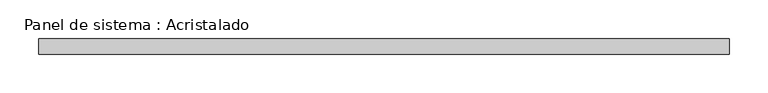
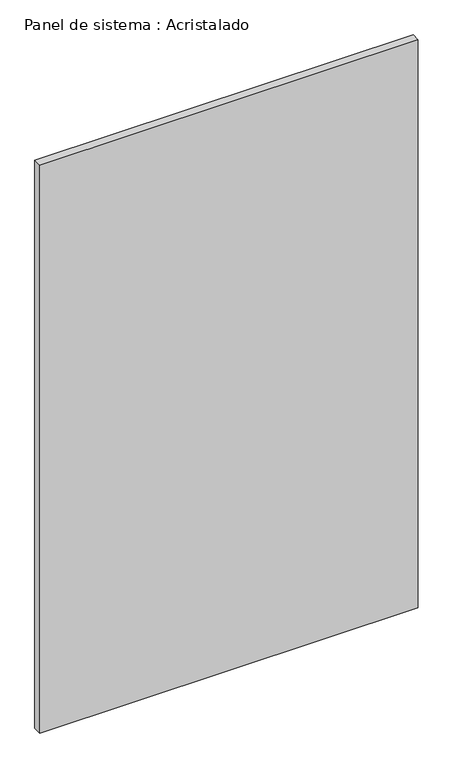
"""IFC4 building model written with IfcOpenShell, lengths in millimetres: plate geometry, Panel de sistema : Acristalado."""

from ifc_helpers import new_model, si_unit, origin, origin_with_axes, place, context, project, spatial, polyline, outline, extrude, source, transform, mapped, element, save


def panel_de_sistema_acristalado_e63d64f1(model_context):
    return source(origin(), model_context, "Body", "SweptSolid", [
        extrude(outline(polyline([(447.5704516, -10.0), (-447.5704516, -10.0), (-447.5704516, 10.0), (447.5704516, 10.0), (447.5704516, -10.0)])), origin_with_axes(), (0.0, 0.0, 1.0), 1419.2228533),
    ])


if __name__ == "__main__":
    model = new_model("IFC4")
    model_context = context("Model", 3, world=origin())
    ifc_project = project(units=[si_unit("LENGTHUNIT", "METRE", prefix="MILLI")], contexts=[model_context])
    site = spatial("IfcSite", under=ifc_project)
    building = spatial("IfcBuilding", under=site)
    placement = place(None, origin())
    panel_de_sistema_acristalado_shape = panel_de_sistema_acristalado_e63d64f1(model_context)
    element("IfcPlate", 1, ObjectType="Panel de sistema : Acristalado", at=placement, inside=building, context=model_context, shape_type="MappedRepresentation", body=[
        mapped(panel_de_sistema_acristalado_shape, transform((0.0, 0.0, 0.0), x_axis=(1.0, 0.0, 0.0), y_axis=(0.0, 1.0, 0.0), z_axis=(0.0, 0.0, 1.0))),
    ])
    save(model, "model.ifc")
